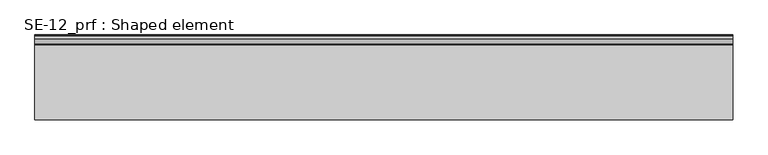
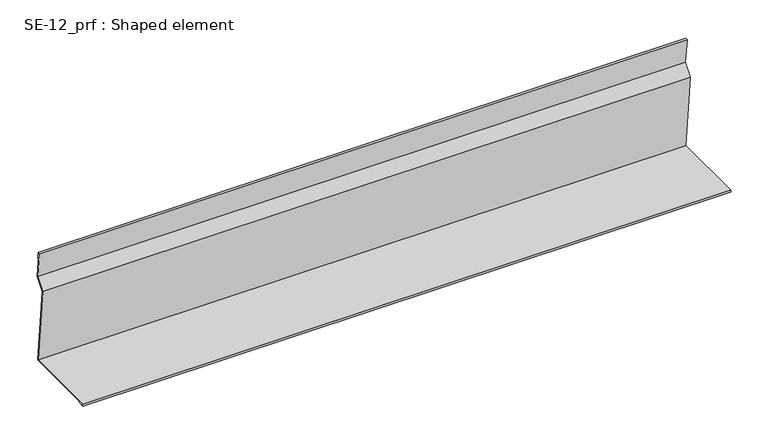
"""IFC4 building model written with IfcOpenShell, lengths in millimetres: proxy geometry, SE-12_prf : Shaped element."""

from ifc_helpers import new_model, si_unit, frame, origin, place, context, project, spatial, polyline, outline, extrude, source, transform, mapped, element, save


def se_12_prf_shaped_element_eb395137(model_context):
    return source(origin(), model_context, "Body", "SweptSolid", [
        extrude(outline(polyline([(-140.485755, 2.0157585), (-140.485755, 5.0157585), (-20.485755, 5.0157585), (-33.0291706, 124.3583859), (-19.8134424, 140.6784511), (-23.9945809, 180.4593269), (-21.0110153, 180.7729123), (-19.9657306, 170.8276933), (-20.9602525, 170.7231649), (-21.9010087, 179.6738619), (-22.8955306, 179.5693335), (-18.7756234, 140.3710351), (-31.9913516, 124.0509699), (-19.3751425, 4.0157585), (-139.6345236, 4.0157585), (-139.6345236, 3.0157585), (-130.485755, 3.0157585), (-130.485755, 2.0157585), (-140.485755, 2.0157585)])), frame((0.0, 0.0, 0.0), z_axis=(1.0, 0.0, 0.0), x_axis=(0.0, 1.0, 0.0)), (0.0, 0.0, 1.0), 1000.0),
    ])


if __name__ == "__main__":
    model = new_model("IFC4")
    model_context = context("Model", 3, world=origin())
    ifc_project = project(units=[si_unit("LENGTHUNIT", "METRE", prefix="MILLI")], contexts=[model_context])
    site = spatial("IfcSite", under=ifc_project)
    building = spatial("IfcBuilding", under=site)
    placement = place(None, origin())
    se_12_prf_shaped_element_shape = se_12_prf_shaped_element_eb395137(model_context)
    element("IfcBuildingElementProxy", 1, Name="SE-12_prf : Shaped element", ObjectType="SE-12_prf : Shaped element", at=placement, inside=building, context=model_context, shape_type="MappedRepresentation", body=[
        mapped(se_12_prf_shaped_element_shape, transform((0.0, 0.0, 0.0), x_axis=(1.0, 0.0, 0.0), y_axis=(0.0, 1.0, 0.0), z_axis=(0.0, 0.0, 1.0))),
    ])
    save(model, "model.ifc")
